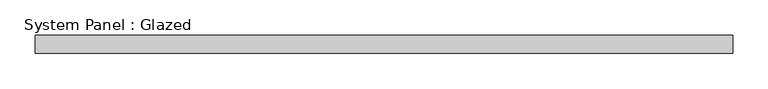
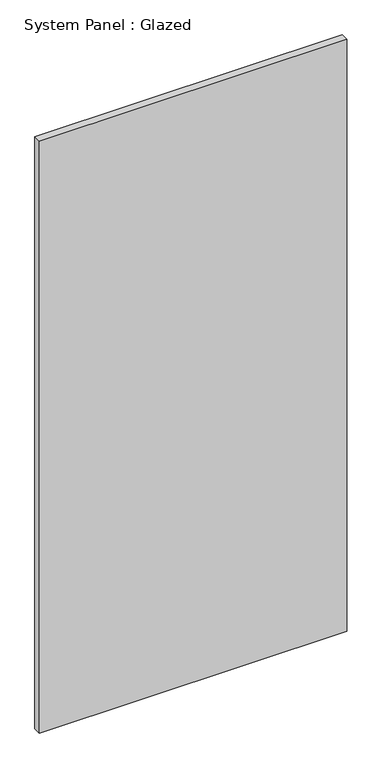
"""IFC4 building model written with IfcOpenShell, lengths in millimetres: plate geometry, System Panel : Glazed."""

from ifc_helpers import new_model, si_unit, origin, origin_with_axes, place, context, project, spatial, polyline, outline, extrude, source, transform, mapped, element, save


def system_panel_glazed_9efe70b9(model_context):
    return source(origin(), model_context, "Body", "SweptSolid", [
        extrude(outline(polyline([(490.9669352, 24.5), (-490.9669352, 24.5), (-490.9669352, 49.5), (490.9669352, 49.5), (490.9669352, 24.5)])), origin_with_axes(), (0.0, 0.0, 1.0), 2000.0),
    ])


if __name__ == "__main__":
    model = new_model("IFC4")
    model_context = context("Model", 3, world=origin())
    ifc_project = project(units=[si_unit("LENGTHUNIT", "METRE", prefix="MILLI")], contexts=[model_context])
    site = spatial("IfcSite", under=ifc_project)
    building = spatial("IfcBuilding", under=site)
    placement = place(None, origin())
    system_panel_glazed_shape = system_panel_glazed_9efe70b9(model_context)
    element("IfcPlate", 1, ObjectType="System Panel : Glazed", at=placement, inside=building, context=model_context, shape_type="MappedRepresentation", body=[
        mapped(system_panel_glazed_shape, transform((0.0, 0.0, 0.0), x_axis=(1.0, 0.0, 0.0), y_axis=(0.0, 1.0, 0.0), z_axis=(0.0, 0.0, 1.0))),
    ])
    save(model, "model.ifc")
